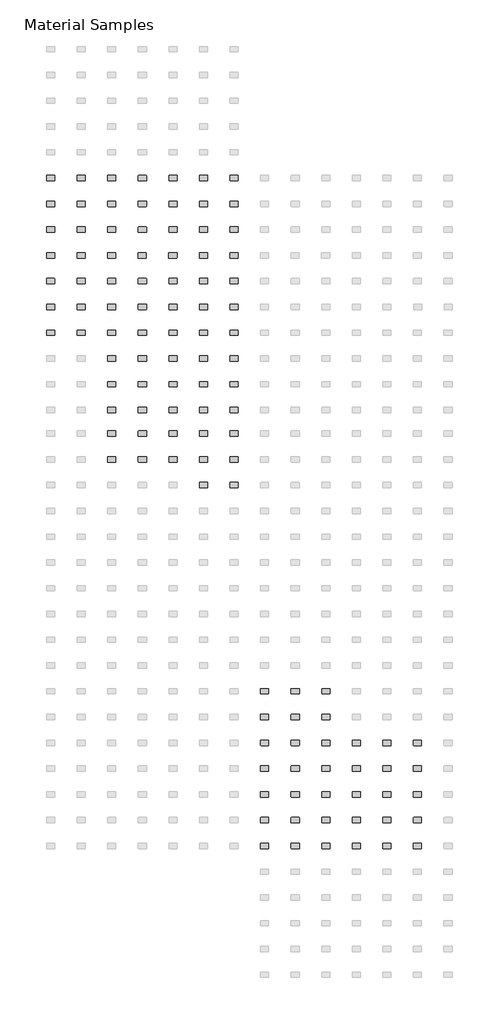
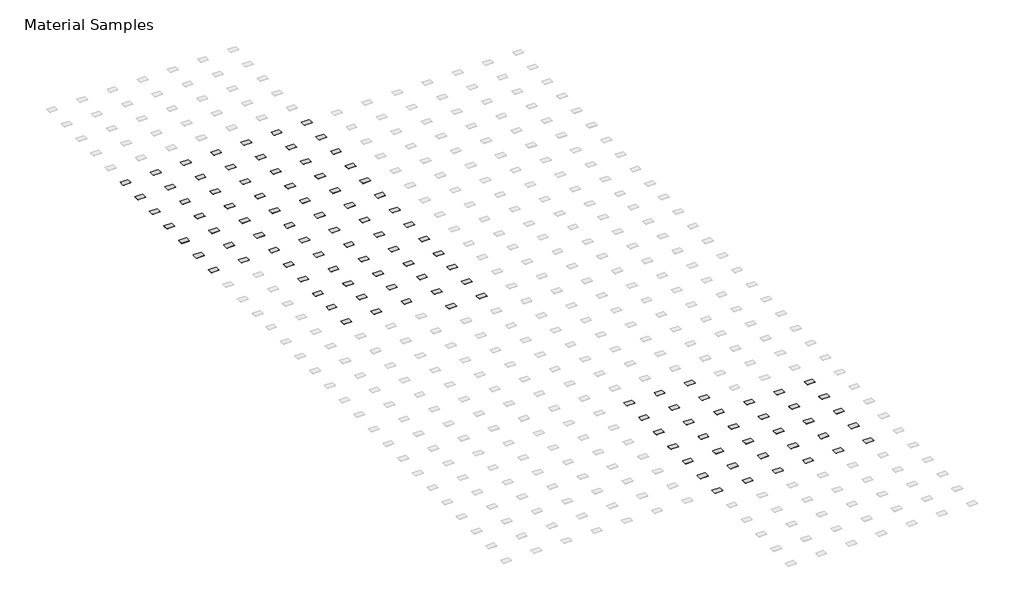
# One storey, part 8 of 15: 112 furniture elements.
"""IFC4 building model written with IfcOpenShell, lengths in millimetres."""

import ifcopenshell
import ifcopenshell.guid

model = None  # the IFC model being written
_history = None  # IfcOwnerHistory: only IFC2X3 demands one
_inside = {}  # id of a spatial element -> (the spatial element, [elements in it])
_under = {}  # id of a project, library or spatial element -> (it, [spatial elements below it])
_declared = {}  # id of a project -> (the project, [libraries it declares])
_typed = {}  # id of a type object -> (the type object, [elements of that type])
_made_of = {}  # id of a material, layer set ... -> (it, [elements and type objects made of it])


def new_model(schema):
    """Start an empty IFC model of exactly this schema.

    Asked for "IFC4X3", IfcOpenShell would pick the latest addendum, in which some entities
    have other attributes; the version numbers below select the first issue.
    IFC2X3 requires an IfcOwnerHistory on every rooted entity: one is made here for all.
    """
    global model, _history
    if schema == "IFC4X3":
        model = ifcopenshell.file(schema_version=(4, 3, 0, 0))
    else:
        model = ifcopenshell.file(schema=schema)
    _inside.clear()
    _under.clear()
    _declared.clear()
    _typed.clear()
    _made_of.clear()
    _history = None
    if model.schema == "IFC2X3":
        org = make("IfcOrganization", Name="unknown")
        user = make(
            "IfcPersonAndOrganization",
            ThePerson=make("IfcPerson", FamilyName="unknown"),
            TheOrganization=org,
        )
        app = make(
            "IfcApplication",
            ApplicationDeveloper=org,
            Version="unknown",
            ApplicationFullName="unknown",
            ApplicationIdentifier="unknown",
        )
        _history = make(
            "IfcOwnerHistory",
            OwningUser=user,
            OwningApplication=app,
            ChangeAction="ADDED",
            CreationDate=0,
        )
    return model


def make(cls, **values):
    """One entity of the class cls with the attributes given. An attribute that is None is left unset."""
    return model.create_entity(
        cls, **{name: value for name, value in values.items() if value is not None}
    )


def rooted(cls, **values):
    """An entity with a GlobalId (a new one), such as an element, a storey or a relation."""
    return make(cls, GlobalId=ifcopenshell.guid.new(), OwnerHistory=_history, **values)


def si_unit(unit_type, name, prefix=None):
    """IfcSIUnit, for example si_unit("LENGTHUNIT", "METRE", prefix="MILLI")."""
    return make("IfcSIUnit", UnitType=unit_type, Prefix=prefix, Name=name)


def assignment(units):
    """IfcUnitAssignment: the units of a project."""
    return None if units is None else make("IfcUnitAssignment", Units=units)


def point(xyz):
    """IfcCartesianPoint."""
    return None if xyz is None else make("IfcCartesianPoint", Coordinates=xyz)


def direction(xyz):
    """IfcDirection."""
    return None if xyz is None else make("IfcDirection", DirectionRatios=xyz)


def frame(location, z_axis=None, x_axis=None):
    """IfcAxis2Placement3D, a coordinate frame: its origin and axes. An axis left out is left unset."""
    return make(
        "IfcAxis2Placement3D",
        Location=point(location),
        Axis=direction(z_axis),
        RefDirection=direction(x_axis),
    )


def frame_2d(location, x_axis=None):
    """IfcAxis2Placement2D, a coordinate frame in the plane: its origin and x axis."""
    return make(
        "IfcAxis2Placement2D", Location=point(location), RefDirection=direction(x_axis)
    )


def origin():
    """The frame at (0, 0, 0) with its axes left unset."""
    return frame((0.0, 0.0, 0.0))


def place(relative_to, where):
    """IfcLocalPlacement: puts the frame where relative to a parent placement (None: the world)."""
    return make(
        "IfcLocalPlacement", PlacementRelTo=relative_to, RelativePlacement=where
    )


def context(
    kind, dimensions, precision=None, world=None, true_north=None, identifier=None
):
    """IfcGeometricRepresentationContext, for example the 3D "Model" context."""
    return make(
        "IfcGeometricRepresentationContext",
        ContextIdentifier=identifier,
        ContextType=kind,
        CoordinateSpaceDimension=dimensions,
        Precision=precision,
        WorldCoordinateSystem=world,
        TrueNorth=true_north,
    )


def project(units=None, contexts=None):
    """IfcProject with its units and contexts."""
    return rooted(
        "IfcProject",
        Name="project",
        RepresentationContexts=contexts,
        UnitsInContext=assignment(units),
    )


def spatial(cls, under=None, at=None, **own):
    """A site, building, storey or space (cls), placed at a placement, below another one or the project."""
    s = rooted(cls, ObjectPlacement=at, **own)
    if under is not None:
        _under.setdefault(under.id(), (under, []))[1].append(s)
    return s


def polyline(points):
    """IfcPolyline through the points."""
    return make("IfcPolyline", Points=[point(p) for p in points])


def circle_curve(where, radius):
    """IfcCircle in the frame where."""
    return make("IfcCircle", Position=where, Radius=radius)


def trimmed(basis, trim1, trim2, sense, master):
    """IfcTrimmedCurve: the piece of a basis curve between two trims."""
    return make(
        "IfcTrimmedCurve",
        BasisCurve=basis,
        Trim1=trim1,
        Trim2=trim2,
        SenseAgreement=sense,
        MasterRepresentation=master,
    )


def segment(curve, same_sense, transition):
    """IfcCompositeCurveSegment."""
    return make(
        "IfcCompositeCurveSegment",
        Transition=transition,
        SameSense=same_sense,
        ParentCurve=curve,
    )


def composite_curve(segments, self_intersect=None):
    """IfcCompositeCurve: segments joined end to end."""
    return make("IfcCompositeCurve", Segments=segments, SelfIntersect=self_intersect)


def outline(outer, holes=None, kind="AREA"):
    """IfcArbitraryClosedProfileDef: a profile drawn as a closed curve; with holes, ...WithVoids."""
    if holes is None:
        return make("IfcArbitraryClosedProfileDef", ProfileType=kind, OuterCurve=outer)
    return make(
        "IfcArbitraryProfileDefWithVoids",
        ProfileType=kind,
        OuterCurve=outer,
        InnerCurves=holes,
    )


def extrude(swept, where, along, depth):
    """IfcExtrudedAreaSolid: the profile swept, set in the frame where, extruded along a direction by depth."""
    return make(
        "IfcExtrudedAreaSolid",
        SweptArea=swept,
        Position=where,
        ExtrudedDirection=direction(along),
        Depth=depth,
    )


def shape(context_of_items, identifier, shape_type, items):
    """IfcShapeRepresentation: the items that make up one representation, for example the "Body"."""
    return make(
        "IfcShapeRepresentation",
        ContextOfItems=context_of_items,
        RepresentationIdentifier=identifier,
        RepresentationType=shape_type,
        Items=items,
    )


def source(mapping_origin, context_of_items, identifier, shape_type, items):
    """IfcRepresentationMap: a shape defined once, which mapped items show again and again."""
    return make(
        "IfcRepresentationMap",
        MappingOrigin=mapping_origin,
        MappedRepresentation=shape(context_of_items, identifier, shape_type, items),
    )


def transform(
    local_origin,
    x_axis=None,
    y_axis=None,
    z_axis=None,
    scale=None,
    scale2=None,
    scale3=None,
    uniform=True,
):
    """IfcCartesianTransformationOperator3D, or its non-uniform kind. x_axis, y_axis, z_axis: its Axis1, 2, 3."""
    if uniform:
        return make(
            "IfcCartesianTransformationOperator3D",
            Axis1=direction(x_axis),
            Axis2=direction(y_axis),
            LocalOrigin=point(local_origin),
            Scale=scale,
            Axis3=direction(z_axis),
        )
    return make(
        "IfcCartesianTransformationOperator3DnonUniform",
        Axis1=direction(x_axis),
        Axis2=direction(y_axis),
        LocalOrigin=point(local_origin),
        Scale=scale,
        Axis3=direction(z_axis),
        Scale2=scale2,
        Scale3=scale3,
    )


def mapped(mapping_source, mapping_target):
    """IfcMappedItem: shows the shape of a source again, moved by a transform."""
    return make(
        "IfcMappedItem", MappingSource=mapping_source, MappingTarget=mapping_target
    )


def made_of(thing, what):
    """Note that an element or type object is made of a material, layer set ...; save() writes the relation."""
    if what is not None:
        _made_of.setdefault(what.id(), (what, []))[1].append(thing)
    return thing


def element(
    cls,
    number,
    at=None,
    inside=None,
    cuts=None,
    type_object=None,
    material=None,
    context=None,
    identifier="Body",
    shape_type=None,
    held_by="IfcProductDefinitionShape",
    body=None,
    shapes=None,
    **own,
):
    """One element of the class cls, such as IfcWall. Its Tag is "e" and its number.

    at: its placement. inside: the storey or other place that contains it. cuts: it is an
    opening in that element (IfcRelVoidsElement). A single representation is given by context,
    identifier, shape_type and body (its items); several are given by shapes. held_by: the class
    of the entity that holds the representations. save() writes the other relations.
    """
    e = rooted(cls, Tag="e%d" % number, ObjectPlacement=at, **own)
    if body is not None:
        shapes = [shape(context, identifier, shape_type, body)]
    if shapes is not None:
        e.Representation = make(held_by, Representations=shapes)
    if inside is not None:
        _inside.setdefault(inside.id(), (inside, []))[1].append(e)
    if cuts is not None:
        rooted(
            "IfcRelVoidsElement", RelatingBuildingElement=cuts, RelatedOpeningElement=e
        )
    if type_object is not None:
        _typed.setdefault(type_object.id(), (type_object, []))[1].append(e)
    return made_of(e, material)


def aggregate(whole, parts):
    """IfcRelAggregates: a whole, such as a stair, and the parts it consists of."""
    return rooted("IfcRelAggregates", RelatingObject=whole, RelatedObjects=parts)


def save(model, path):
    """Write the relations noted so far, then the file.

    IfcRelAggregates (storeys below a building ...), IfcRelContainedInSpatialStructure (elements
    in a storey), IfcRelDefinesByType, IfcRelAssociatesMaterial and IfcRelDeclares: one each for
    every whole, place, type object, material and project.
    """
    for whole, parts in _under.values():
        aggregate(whole, parts)
    for where, things in _inside.values():
        rooted(
            "IfcRelContainedInSpatialStructure",
            RelatedElements=things,
            RelatingStructure=where,
        )
    for kind, things in _typed.values():
        rooted("IfcRelDefinesByType", RelatedObjects=things, RelatingType=kind)
    for what, things in _made_of.values():
        rooted("IfcRelAssociatesMaterial", RelatedObjects=things, RelatingMaterial=what)
    for by, libraries in _declared.values():
        rooted("IfcRelDeclares", RelatingContext=by, RelatedDefinitions=libraries)
    model.write(path)


def furniture_2008_material_sample3_2x3x1_8_96bf408c(model_context):
    return source(origin(), model_context, "Body", "SweptSolid", [
        extrude(outline(composite_curve([segment(trimmed(circle_curve(frame_2d((21215.2392185, 10811.8982463)), 6.35), [point((21215.2392185, 10818.2482463))], [point((21221.5892185, 10811.8982463))], False, "CARTESIAN"), True, "CONTINUOUS"), segment(polyline([(21221.5892185, 10811.8982463), (21221.5892185, 10570.5982463)]), True, "CONTINUOUS"), segment(trimmed(circle_curve(frame_2d((21215.2392185, 10570.5982463)), 6.35), [point((21221.5892185, 10570.5982463))], [point((21215.2392185, 10564.2482463))], False, "CARTESIAN"), True, "CONTINUOUS"), segment(polyline([(21215.2392185, 10564.2482463), (20846.9392185, 10564.2482463)]), True, "CONTINUOUS"), segment(trimmed(circle_curve(frame_2d((20846.9392185, 10570.5982463)), 6.35), [point((20846.9392185, 10564.2482463))], [point((20840.5892185, 10570.5982463))], False, "CARTESIAN"), True, "CONTINUOUS"), segment(polyline([(20840.5892185, 10570.5982463), (20840.5892185, 10811.8982463)]), True, "CONTINUOUS"), segment(trimmed(circle_curve(frame_2d((20846.9392185, 10811.8982463)), 6.35), [point((20840.5892185, 10811.8982463))], [point((20846.9392185, 10818.2482463))], False, "CARTESIAN"), True, "CONTINUOUS"), segment(polyline([(20846.9392185, 10818.2482463), (21215.2392185, 10818.2482463)]), True, "CONTINUOUS")], self_intersect=False)), frame((0.0, 0.0, -3.175), z_axis=(0.0, 0.0, 1.0), x_axis=(1.0, 0.0, 0.0)), (0.0, 0.0, 1.0), 3.175),
    ])


model = new_model("IFC4")

# Units and contexts
model_context = context("Model", 3, world=origin())
ifc_project = project(units=[si_unit("LENGTHUNIT", "METRE", prefix="MILLI")], contexts=[model_context])

# Site, building, storey
site = spatial("IfcSite", under=ifc_project)
building = spatial("IfcBuilding", under=site)
storey = spatial("IfcBuildingStorey", under=building, Name="Material Samples", Elevation=0.0)

# Furniture
placement = place(None, origin())
furniture_2008_material_sample3_2x3x1_8_shape = furniture_2008_material_sample3_2x3x1_8_96bf408c(model_context)
element("IfcFurniture", 1, ObjectType="2008_Material Sample3 : 2x3x1/8", at=placement, inside=storey, context=model_context, shape_type="MappedRepresentation", body=[
    mapped(furniture_2008_material_sample3_2x3x1_8_shape, transform((-41929.9915046, -64325.2209267, 25.4), x_axis=(1.0, 0.0, 0.0), y_axis=(0.0, 1.0, 0.0), z_axis=(0.0, 0.0, 1.0))),
])
element("IfcFurniture", 2, ObjectType="2008_Material Sample3 : 2x3x1/8", at=placement, inside=storey, context=model_context, shape_type="MappedRepresentation", body=[
    mapped(furniture_2008_material_sample3_2x3x1_8_shape, transform((-40482.1915046, -64325.2209267, 25.4), x_axis=(1.0, 0.0, 0.0), y_axis=(0.0, 1.0, 0.0), z_axis=(0.0, 0.0, 1.0))),
])
element("IfcFurniture", 3, ObjectType="2008_Material Sample3 : 2x3x1/8", at=placement, inside=storey, context=model_context, shape_type="MappedRepresentation", body=[
    mapped(furniture_2008_material_sample3_2x3x1_8_shape, transform((-39034.3915046, -64325.2209267, 25.4), x_axis=(1.0, 0.0, 0.0), y_axis=(0.0, 1.0, 0.0), z_axis=(0.0, 0.0, 1.0))),
])
element("IfcFurniture", 4, ObjectType="2008_Material Sample3 : 2x3x1/8", at=placement, inside=storey, context=model_context, shape_type="MappedRepresentation", body=[
    mapped(furniture_2008_material_sample3_2x3x1_8_shape, transform((-37586.5915046, -64325.2209267, 25.4), x_axis=(1.0, 0.0, 0.0), y_axis=(0.0, 1.0, 0.0), z_axis=(0.0, 0.0, 1.0))),
])
element("IfcFurniture", 5, ObjectType="2008_Material Sample3 : 2x3x1/8", at=placement, inside=storey, context=model_context, shape_type="MappedRepresentation", body=[
    mapped(furniture_2008_material_sample3_2x3x1_8_shape, transform((-36138.7915046, -64325.2209267, 25.4), x_axis=(1.0, 0.0, 0.0), y_axis=(0.0, 1.0, 0.0), z_axis=(0.0, 0.0, 1.0))),
])
element("IfcFurniture", 6, ObjectType="2008_Material Sample3 : 2x3x1/8", at=placement, inside=storey, context=model_context, shape_type="MappedRepresentation", body=[
    mapped(furniture_2008_material_sample3_2x3x1_8_shape, transform((-34690.9915046, -64325.2209267, 25.4), x_axis=(1.0, 0.0, 0.0), y_axis=(0.0, 1.0, 0.0), z_axis=(0.0, 0.0, 1.0))),
])
element("IfcFurniture", 7, ObjectType="2008_Material Sample3 : 2x3x1/8", at=placement, inside=storey, context=model_context, shape_type="MappedRepresentation", body=[
    mapped(furniture_2008_material_sample3_2x3x1_8_shape, transform((-33243.1915046, -64325.2209267, 25.4), x_axis=(1.0, 0.0, 0.0), y_axis=(0.0, 1.0, 0.0), z_axis=(0.0, 0.0, 1.0))),
])
element("IfcFurniture", 8, ObjectType="2008_Material Sample3 : 2x3x1/8", at=placement, inside=storey, context=model_context, shape_type="MappedRepresentation", body=[
    mapped(furniture_2008_material_sample3_2x3x1_8_shape, transform((-41929.9915046, -65544.4209267, 25.4), x_axis=(1.0, 0.0, 0.0), y_axis=(0.0, 1.0, 0.0), z_axis=(0.0, 0.0, 1.0))),
])
element("IfcFurniture", 9, ObjectType="2008_Material Sample3 : 2x3x1/8", at=placement, inside=storey, context=model_context, shape_type="MappedRepresentation", body=[
    mapped(furniture_2008_material_sample3_2x3x1_8_shape, transform((-40482.1915046, -65544.4209267, 25.4), x_axis=(1.0, 0.0, 0.0), y_axis=(0.0, 1.0, 0.0), z_axis=(0.0, 0.0, 1.0))),
])
element("IfcFurniture", 10, ObjectType="2008_Material Sample3 : 2x3x1/8", at=placement, inside=storey, context=model_context, shape_type="MappedRepresentation", body=[
    mapped(furniture_2008_material_sample3_2x3x1_8_shape, transform((-39034.3915046, -65544.4209267, 25.4), x_axis=(1.0, 0.0, 0.0), y_axis=(0.0, 1.0, 0.0), z_axis=(0.0, 0.0, 1.0))),
])
element("IfcFurniture", 11, ObjectType="2008_Material Sample3 : 2x3x1/8", at=placement, inside=storey, context=model_context, shape_type="MappedRepresentation", body=[
    mapped(furniture_2008_material_sample3_2x3x1_8_shape, transform((-37586.5915046, -65544.4209267, 25.4), x_axis=(1.0, 0.0, 0.0), y_axis=(0.0, 1.0, 0.0), z_axis=(0.0, 0.0, 1.0))),
])
element("IfcFurniture", 12, ObjectType="2008_Material Sample3 : 2x3x1/8", at=placement, inside=storey, context=model_context, shape_type="MappedRepresentation", body=[
    mapped(furniture_2008_material_sample3_2x3x1_8_shape, transform((-36138.7915046, -65544.4209267, 25.4), x_axis=(1.0, 0.0, 0.0), y_axis=(0.0, 1.0, 0.0), z_axis=(0.0, 0.0, 1.0))),
])
element("IfcFurniture", 13, ObjectType="2008_Material Sample3 : 2x3x1/8", at=placement, inside=storey, context=model_context, shape_type="MappedRepresentation", body=[
    mapped(furniture_2008_material_sample3_2x3x1_8_shape, transform((-34690.9915046, -65544.4209267, 25.4), x_axis=(1.0, 0.0, 0.0), y_axis=(0.0, 1.0, 0.0), z_axis=(0.0, 0.0, 1.0))),
])
element("IfcFurniture", 14, ObjectType="2008_Material Sample3 : 2x3x1/8", at=placement, inside=storey, context=model_context, shape_type="MappedRepresentation", body=[
    mapped(furniture_2008_material_sample3_2x3x1_8_shape, transform((-33243.1915046, -65544.4209267, 25.4), x_axis=(1.0, 0.0, 0.0), y_axis=(0.0, 1.0, 0.0), z_axis=(0.0, 0.0, 1.0))),
])
element("IfcFurniture", 15, ObjectType="2008_Material Sample3 : 2x3x1/8", at=placement, inside=storey, context=model_context, shape_type="MappedRepresentation", body=[
    mapped(furniture_2008_material_sample3_2x3x1_8_shape, transform((-41929.9915046, -66763.6209267, 25.4), x_axis=(1.0, 0.0, 0.0), y_axis=(0.0, 1.0, 0.0), z_axis=(0.0, 0.0, 1.0))),
])
element("IfcFurniture", 16, ObjectType="2008_Material Sample3 : 2x3x1/8", at=placement, inside=storey, context=model_context, shape_type="MappedRepresentation", body=[
    mapped(furniture_2008_material_sample3_2x3x1_8_shape, transform((-40482.1915046, -66763.6209267, 25.4), x_axis=(1.0, 0.0, 0.0), y_axis=(0.0, 1.0, 0.0), z_axis=(0.0, 0.0, 1.0))),
])
element("IfcFurniture", 17, ObjectType="2008_Material Sample3 : 2x3x1/8", at=placement, inside=storey, context=model_context, shape_type="MappedRepresentation", body=[
    mapped(furniture_2008_material_sample3_2x3x1_8_shape, transform((-39034.3915046, -66763.6209267, 25.4), x_axis=(1.0, 0.0, 0.0), y_axis=(0.0, 1.0, 0.0), z_axis=(0.0, 0.0, 1.0))),
])
element("IfcFurniture", 18, ObjectType="2008_Material Sample3 : 2x3x1/8", at=placement, inside=storey, context=model_context, shape_type="MappedRepresentation", body=[
    mapped(furniture_2008_material_sample3_2x3x1_8_shape, transform((-37586.5915046, -66763.6209267, 25.4), x_axis=(1.0, 0.0, 0.0), y_axis=(0.0, 1.0, 0.0), z_axis=(0.0, 0.0, 1.0))),
])
element("IfcFurniture", 19, ObjectType="2008_Material Sample3 : 2x3x1/8", at=placement, inside=storey, context=model_context, shape_type="MappedRepresentation", body=[
    mapped(furniture_2008_material_sample3_2x3x1_8_shape, transform((-36138.7915046, -66763.6209267, 25.4), x_axis=(1.0, 0.0, 0.0), y_axis=(0.0, 1.0, 0.0), z_axis=(0.0, 0.0, 1.0))),
])
element("IfcFurniture", 20, ObjectType="2008_Material Sample3 : 2x3x1/8", at=placement, inside=storey, context=model_context, shape_type="MappedRepresentation", body=[
    mapped(furniture_2008_material_sample3_2x3x1_8_shape, transform((-34690.9915046, -66763.6209267, 25.4), x_axis=(1.0, 0.0, 0.0), y_axis=(0.0, 1.0, 0.0), z_axis=(0.0, 0.0, 1.0))),
])
element("IfcFurniture", 21, ObjectType="2008_Material Sample3 : 2x3x1/8", at=placement, inside=storey, context=model_context, shape_type="MappedRepresentation", body=[
    mapped(furniture_2008_material_sample3_2x3x1_8_shape, transform((-33243.1915046, -66763.6209267, 25.4), x_axis=(1.0, 0.0, 0.0), y_axis=(0.0, 1.0, 0.0), z_axis=(0.0, 0.0, 1.0))),
])
element("IfcFurniture", 22, ObjectType="2008_Material Sample3 : 2x3x1/8", at=placement, inside=storey, context=model_context, shape_type="MappedRepresentation", body=[
    mapped(furniture_2008_material_sample3_2x3x1_8_shape, transform((-41936.3415046, -67982.8209267, 25.4), x_axis=(1.0, 0.0, 0.0), y_axis=(0.0, 1.0, 0.0), z_axis=(0.0, 0.0, 1.0))),
])
element("IfcFurniture", 23, ObjectType="2008_Material Sample3 : 2x3x1/8", at=placement, inside=storey, context=model_context, shape_type="MappedRepresentation", body=[
    mapped(furniture_2008_material_sample3_2x3x1_8_shape, transform((-40488.5415046, -67982.8209267, 25.4), x_axis=(1.0, 0.0, 0.0), y_axis=(0.0, 1.0, 0.0), z_axis=(0.0, 0.0, 1.0))),
])
element("IfcFurniture", 24, ObjectType="2008_Material Sample3 : 2x3x1/8", at=placement, inside=storey, context=model_context, shape_type="MappedRepresentation", body=[
    mapped(furniture_2008_material_sample3_2x3x1_8_shape, transform((-39040.7415046, -67982.8209267, 25.4), x_axis=(1.0, 0.0, 0.0), y_axis=(0.0, 1.0, 0.0), z_axis=(0.0, 0.0, 1.0))),
])
element("IfcFurniture", 25, ObjectType="2008_Material Sample3 : 2x3x1/8", at=placement, inside=storey, context=model_context, shape_type="MappedRepresentation", body=[
    mapped(furniture_2008_material_sample3_2x3x1_8_shape, transform((-37592.9415046, -67982.8209267, 25.4), x_axis=(1.0, 0.0, 0.0), y_axis=(0.0, 1.0, 0.0), z_axis=(0.0, 0.0, 1.0))),
])
element("IfcFurniture", 26, ObjectType="2008_Material Sample3 : 2x3x1/8", at=placement, inside=storey, context=model_context, shape_type="MappedRepresentation", body=[
    mapped(furniture_2008_material_sample3_2x3x1_8_shape, transform((-36145.1415046, -67982.8209267, 25.4), x_axis=(1.0, 0.0, 0.0), y_axis=(0.0, 1.0, 0.0), z_axis=(0.0, 0.0, 1.0))),
])
element("IfcFurniture", 27, ObjectType="2008_Material Sample3 : 2x3x1/8", at=placement, inside=storey, context=model_context, shape_type="MappedRepresentation", body=[
    mapped(furniture_2008_material_sample3_2x3x1_8_shape, transform((-34697.3415046, -67982.8209267, 25.4), x_axis=(1.0, 0.0, 0.0), y_axis=(0.0, 1.0, 0.0), z_axis=(0.0, 0.0, 1.0))),
])
element("IfcFurniture", 28, ObjectType="2008_Material Sample3 : 2x3x1/8", at=placement, inside=storey, context=model_context, shape_type="MappedRepresentation", body=[
    mapped(furniture_2008_material_sample3_2x3x1_8_shape, transform((-33249.5415046, -67982.8209267, 25.4), x_axis=(1.0, 0.0, 0.0), y_axis=(0.0, 1.0, 0.0), z_axis=(0.0, 0.0, 1.0))),
])
element("IfcFurniture", 29, ObjectType="2008_Material Sample3 : 2x3x1/8", at=placement, inside=storey, context=model_context, shape_type="MappedRepresentation", body=[
    mapped(furniture_2008_material_sample3_2x3x1_8_shape, transform((-41936.452286, -69202.0209267, 25.4), x_axis=(1.0, 0.0, 0.0), y_axis=(0.0, 1.0, 0.0), z_axis=(0.0, 0.0, 1.0))),
])
element("IfcFurniture", 30, ObjectType="2008_Material Sample3 : 2x3x1/8", at=placement, inside=storey, context=model_context, shape_type="MappedRepresentation", body=[
    mapped(furniture_2008_material_sample3_2x3x1_8_shape, transform((-40482.1915046, -69202.0209267, 25.4), x_axis=(1.0, 0.0, 0.0), y_axis=(0.0, 1.0, 0.0), z_axis=(0.0, 0.0, 1.0))),
])
element("IfcFurniture", 31, ObjectType="2008_Material Sample3 : 2x3x1/8", at=placement, inside=storey, context=model_context, shape_type="MappedRepresentation", body=[
    mapped(furniture_2008_material_sample3_2x3x1_8_shape, transform((-39034.3915046, -69202.0209267, 25.4), x_axis=(1.0, 0.0, 0.0), y_axis=(0.0, 1.0, 0.0), z_axis=(0.0, 0.0, 1.0))),
])
element("IfcFurniture", 32, ObjectType="2008_Material Sample3 : 2x3x1/8", at=placement, inside=storey, context=model_context, shape_type="MappedRepresentation", body=[
    mapped(furniture_2008_material_sample3_2x3x1_8_shape, transform((-37586.5915046, -69202.0209267, 25.4), x_axis=(1.0, 0.0, 0.0), y_axis=(0.0, 1.0, 0.0), z_axis=(0.0, 0.0, 1.0))),
])
element("IfcFurniture", 33, ObjectType="2008_Material Sample3 : 2x3x1/8", at=placement, inside=storey, context=model_context, shape_type="MappedRepresentation", body=[
    mapped(furniture_2008_material_sample3_2x3x1_8_shape, transform((-36138.7915046, -69202.0209267, 25.4), x_axis=(1.0, 0.0, 0.0), y_axis=(0.0, 1.0, 0.0), z_axis=(0.0, 0.0, 1.0))),
])
element("IfcFurniture", 34, ObjectType="2008_Material Sample3 : 2x3x1/8", at=placement, inside=storey, context=model_context, shape_type="MappedRepresentation", body=[
    mapped(furniture_2008_material_sample3_2x3x1_8_shape, transform((-34690.9915046, -69202.0209267, 25.4), x_axis=(1.0, 0.0, 0.0), y_axis=(0.0, 1.0, 0.0), z_axis=(0.0, 0.0, 1.0))),
])
element("IfcFurniture", 35, ObjectType="2008_Material Sample3 : 2x3x1/8", at=placement, inside=storey, context=model_context, shape_type="MappedRepresentation", body=[
    mapped(furniture_2008_material_sample3_2x3x1_8_shape, transform((-33243.1915046, -69202.0209267, 25.4), x_axis=(1.0, 0.0, 0.0), y_axis=(0.0, 1.0, 0.0), z_axis=(0.0, 0.0, 1.0))),
])
element("IfcFurniture", 36, ObjectType="2008_Material Sample3 : 2x3x1/8", at=placement, inside=storey, context=model_context, shape_type="MappedRepresentation", body=[
    mapped(furniture_2008_material_sample3_2x3x1_8_shape, transform((-41929.9915046, -70421.2209267, 25.4), x_axis=(1.0, 0.0, 0.0), y_axis=(0.0, 1.0, 0.0), z_axis=(0.0, 0.0, 1.0))),
])
element("IfcFurniture", 37, ObjectType="2008_Material Sample3 : 2x3x1/8", at=placement, inside=storey, context=model_context, shape_type="MappedRepresentation", body=[
    mapped(furniture_2008_material_sample3_2x3x1_8_shape, transform((-40482.1915046, -70421.2209267, 25.4), x_axis=(1.0, 0.0, 0.0), y_axis=(0.0, 1.0, 0.0), z_axis=(0.0, 0.0, 1.0))),
])
element("IfcFurniture", 38, ObjectType="2008_Material Sample3 : 2x3x1/8", at=placement, inside=storey, context=model_context, shape_type="MappedRepresentation", body=[
    mapped(furniture_2008_material_sample3_2x3x1_8_shape, transform((-39034.3915046, -70421.2209267, 25.4), x_axis=(1.0, 0.0, 0.0), y_axis=(0.0, 1.0, 0.0), z_axis=(0.0, 0.0, 1.0))),
])
element("IfcFurniture", 39, ObjectType="2008_Material Sample3 : 2x3x1/8", at=placement, inside=storey, context=model_context, shape_type="MappedRepresentation", body=[
    mapped(furniture_2008_material_sample3_2x3x1_8_shape, transform((-37586.5915046, -70421.2209267, 25.4), x_axis=(1.0, 0.0, 0.0), y_axis=(0.0, 1.0, 0.0), z_axis=(0.0, 0.0, 1.0))),
])
element("IfcFurniture", 40, ObjectType="2008_Material Sample3 : 2x3x1/8", at=placement, inside=storey, context=model_context, shape_type="MappedRepresentation", body=[
    mapped(furniture_2008_material_sample3_2x3x1_8_shape, transform((-36138.7915046, -70421.2209267, 25.4), x_axis=(1.0, 0.0, 0.0), y_axis=(0.0, 1.0, 0.0), z_axis=(0.0, 0.0, 1.0))),
])
element("IfcFurniture", 41, ObjectType="2008_Material Sample3 : 2x3x1/8", at=placement, inside=storey, context=model_context, shape_type="MappedRepresentation", body=[
    mapped(furniture_2008_material_sample3_2x3x1_8_shape, transform((-34690.9915046, -70421.2209267, 25.4), x_axis=(1.0, 0.0, 0.0), y_axis=(0.0, 1.0, 0.0), z_axis=(0.0, 0.0, 1.0))),
])
element("IfcFurniture", 42, ObjectType="2008_Material Sample3 : 2x3x1/8", at=placement, inside=storey, context=model_context, shape_type="MappedRepresentation", body=[
    mapped(furniture_2008_material_sample3_2x3x1_8_shape, transform((-33243.1915046, -70421.2209267, 25.4), x_axis=(1.0, 0.0, 0.0), y_axis=(0.0, 1.0, 0.0), z_axis=(0.0, 0.0, 1.0))),
])
element("IfcFurniture", 43, ObjectType="2008_Material Sample3 : 2x3x1/8", at=placement, inside=storey, context=model_context, shape_type="MappedRepresentation", body=[
    mapped(furniture_2008_material_sample3_2x3x1_8_shape, transform((-40482.1915046, -71640.4209267, 25.4), x_axis=(1.0, 0.0, 0.0), y_axis=(0.0, 1.0, 0.0), z_axis=(0.0, 0.0, 1.0))),
])
element("IfcFurniture", 44, ObjectType="2008_Material Sample3 : 2x3x1/8", at=placement, inside=storey, context=model_context, shape_type="MappedRepresentation", body=[
    mapped(furniture_2008_material_sample3_2x3x1_8_shape, transform((-39034.3915046, -71640.4209267, 25.4), x_axis=(1.0, 0.0, 0.0), y_axis=(0.0, 1.0, 0.0), z_axis=(0.0, 0.0, 1.0))),
])
element("IfcFurniture", 45, ObjectType="2008_Material Sample3 : 2x3x1/8", at=placement, inside=storey, context=model_context, shape_type="MappedRepresentation", body=[
    mapped(furniture_2008_material_sample3_2x3x1_8_shape, transform((-37586.5915046, -71640.4209267, 25.4), x_axis=(1.0, 0.0, 0.0), y_axis=(0.0, 1.0, 0.0), z_axis=(0.0, 0.0, 1.0))),
])
element("IfcFurniture", 46, ObjectType="2008_Material Sample3 : 2x3x1/8", at=placement, inside=storey, context=model_context, shape_type="MappedRepresentation", body=[
    mapped(furniture_2008_material_sample3_2x3x1_8_shape, transform((-36138.7915046, -71640.4209267, 25.4), x_axis=(1.0, 0.0, 0.0), y_axis=(0.0, 1.0, 0.0), z_axis=(0.0, 0.0, 1.0))),
])
element("IfcFurniture", 47, ObjectType="2008_Material Sample3 : 2x3x1/8", at=placement, inside=storey, context=model_context, shape_type="MappedRepresentation", body=[
    mapped(furniture_2008_material_sample3_2x3x1_8_shape, transform((-34690.9915046, -71640.4209267, 25.4), x_axis=(1.0, 0.0, 0.0), y_axis=(0.0, 1.0, 0.0), z_axis=(0.0, 0.0, 1.0))),
])
element("IfcFurniture", 48, ObjectType="2008_Material Sample3 : 2x3x1/8", at=placement, inside=storey, context=model_context, shape_type="MappedRepresentation", body=[
    mapped(furniture_2008_material_sample3_2x3x1_8_shape, transform((-33243.1915046, -71640.4209267, 25.4), x_axis=(1.0, 0.0, 0.0), y_axis=(0.0, 1.0, 0.0), z_axis=(0.0, 0.0, 1.0))),
])
element("IfcFurniture", 49, ObjectType="2008_Material Sample3 : 2x3x1/8", at=placement, inside=storey, context=model_context, shape_type="MappedRepresentation", body=[
    mapped(furniture_2008_material_sample3_2x3x1_8_shape, transform((-39034.3915046, -72859.6209267, 25.4), x_axis=(1.0, 0.0, 0.0), y_axis=(0.0, 1.0, 0.0), z_axis=(0.0, 0.0, 1.0))),
])
element("IfcFurniture", 50, ObjectType="2008_Material Sample3 : 2x3x1/8", at=placement, inside=storey, context=model_context, shape_type="MappedRepresentation", body=[
    mapped(furniture_2008_material_sample3_2x3x1_8_shape, transform((-37586.5915046, -72859.6209267, 25.4), x_axis=(1.0, 0.0, 0.0), y_axis=(0.0, 1.0, 0.0), z_axis=(0.0, 0.0, 1.0))),
])
element("IfcFurniture", 51, ObjectType="2008_Material Sample3 : 2x3x1/8", at=placement, inside=storey, context=model_context, shape_type="MappedRepresentation", body=[
    mapped(furniture_2008_material_sample3_2x3x1_8_shape, transform((-36138.7915046, -72859.6209267, 25.4), x_axis=(1.0, 0.0, 0.0), y_axis=(0.0, 1.0, 0.0), z_axis=(0.0, 0.0, 1.0))),
])
element("IfcFurniture", 52, ObjectType="2008_Material Sample3 : 2x3x1/8", at=placement, inside=storey, context=model_context, shape_type="MappedRepresentation", body=[
    mapped(furniture_2008_material_sample3_2x3x1_8_shape, transform((-34690.9915046, -72859.6209267, 25.4), x_axis=(1.0, 0.0, 0.0), y_axis=(0.0, 1.0, 0.0), z_axis=(0.0, 0.0, 1.0))),
])
element("IfcFurniture", 53, ObjectType="2008_Material Sample3 : 2x3x1/8", at=placement, inside=storey, context=model_context, shape_type="MappedRepresentation", body=[
    mapped(furniture_2008_material_sample3_2x3x1_8_shape, transform((-33243.1915046, -72859.6209267, 25.4), x_axis=(1.0, 0.0, 0.0), y_axis=(0.0, 1.0, 0.0), z_axis=(0.0, 0.0, 1.0))),
])
element("IfcFurniture", 54, ObjectType="2008_Material Sample3 : 2x3x1/8", at=placement, inside=storey, context=model_context, shape_type="MappedRepresentation", body=[
    mapped(furniture_2008_material_sample3_2x3x1_8_shape, transform((-39034.3915046, -74078.8209267, 25.4), x_axis=(1.0, 0.0, 0.0), y_axis=(0.0, 1.0, 0.0), z_axis=(0.0, 0.0, 1.0))),
])
element("IfcFurniture", 55, ObjectType="2008_Material Sample3 : 2x3x1/8", at=placement, inside=storey, context=model_context, shape_type="MappedRepresentation", body=[
    mapped(furniture_2008_material_sample3_2x3x1_8_shape, transform((-37586.5915046, -74078.8209267, 25.4), x_axis=(1.0, 0.0, 0.0), y_axis=(0.0, 1.0, 0.0), z_axis=(0.0, 0.0, 1.0))),
])
element("IfcFurniture", 56, ObjectType="2008_Material Sample3 : 2x3x1/8", at=placement, inside=storey, context=model_context, shape_type="MappedRepresentation", body=[
    mapped(furniture_2008_material_sample3_2x3x1_8_shape, transform((-36138.7915046, -74078.8209267, 25.4), x_axis=(1.0, 0.0, 0.0), y_axis=(0.0, 1.0, 0.0), z_axis=(0.0, 0.0, 1.0))),
])
element("IfcFurniture", 57, ObjectType="2008_Material Sample3 : 2x3x1/8", at=placement, inside=storey, context=model_context, shape_type="MappedRepresentation", body=[
    mapped(furniture_2008_material_sample3_2x3x1_8_shape, transform((-34690.9915046, -74078.8209267, 25.4), x_axis=(1.0, 0.0, 0.0), y_axis=(0.0, 1.0, 0.0), z_axis=(0.0, 0.0, 1.0))),
])
element("IfcFurniture", 58, ObjectType="2008_Material Sample3 : 2x3x1/8", at=placement, inside=storey, context=model_context, shape_type="MappedRepresentation", body=[
    mapped(furniture_2008_material_sample3_2x3x1_8_shape, transform((-33243.1915046, -74078.8209267, 25.4), x_axis=(1.0, 0.0, 0.0), y_axis=(0.0, 1.0, 0.0), z_axis=(0.0, 0.0, 1.0))),
])
element("IfcFurniture", 59, ObjectType="2008_Material Sample3 : 2x3x1/8", at=placement, inside=storey, context=model_context, shape_type="MappedRepresentation", body=[
    mapped(furniture_2008_material_sample3_2x3x1_8_shape, transform((-39034.2807231, -75298.0209267, 25.4), x_axis=(1.0, 0.0, 0.0), y_axis=(0.0, 1.0, 0.0), z_axis=(0.0, 0.0, 1.0))),
])
element("IfcFurniture", 60, ObjectType="2008_Material Sample3 : 2x3x1/8", at=placement, inside=storey, context=model_context, shape_type="MappedRepresentation", body=[
    mapped(furniture_2008_material_sample3_2x3x1_8_shape, transform((-37586.4807231, -75298.0209267, 25.4), x_axis=(1.0, 0.0, 0.0), y_axis=(0.0, 1.0, 0.0), z_axis=(0.0, 0.0, 1.0))),
])
element("IfcFurniture", 61, ObjectType="2008_Material Sample3 : 2x3x1/8", at=placement, inside=storey, context=model_context, shape_type="MappedRepresentation", body=[
    mapped(furniture_2008_material_sample3_2x3x1_8_shape, transform((-36138.6807231, -75298.0209267, 25.4), x_axis=(1.0, 0.0, 0.0), y_axis=(0.0, 1.0, 0.0), z_axis=(0.0, 0.0, 1.0))),
])
element("IfcFurniture", 62, ObjectType="2008_Material Sample3 : 2x3x1/8", at=placement, inside=storey, context=model_context, shape_type="MappedRepresentation", body=[
    mapped(furniture_2008_material_sample3_2x3x1_8_shape, transform((-34690.8807231, -75298.0209267, 25.4), x_axis=(1.0, 0.0, 0.0), y_axis=(0.0, 1.0, 0.0), z_axis=(0.0, 0.0, 1.0))),
])
element("IfcFurniture", 63, ObjectType="2008_Material Sample3 : 2x3x1/8", at=placement, inside=storey, context=model_context, shape_type="MappedRepresentation", body=[
    mapped(furniture_2008_material_sample3_2x3x1_8_shape, transform((-33243.0807231, -75298.0209267, 25.4), x_axis=(1.0, 0.0, 0.0), y_axis=(0.0, 1.0, 0.0), z_axis=(0.0, 0.0, 1.0))),
])
element("IfcFurniture", 64, ObjectType="2008_Material Sample3 : 2x3x1/8", at=placement, inside=storey, context=model_context, shape_type="MappedRepresentation", body=[
    mapped(furniture_2008_material_sample3_2x3x1_8_shape, transform((-41929.9915046, -71640.4209267, 25.4), x_axis=(1.0, 0.0, 0.0), y_axis=(0.0, 1.0, 0.0), z_axis=(0.0, 0.0, 1.0))),
])
element("IfcFurniture", 65, ObjectType="2008_Material Sample4 : 2x3x1/8", at=placement, inside=storey, context=model_context, shape_type="MappedRepresentation", body=[
    mapped(furniture_2008_material_sample3_2x3x1_8_shape, transform((-39034.2807231, -76415.6209267, 25.4), x_axis=(1.0, 0.0, 0.0), y_axis=(0.0, 1.0, 0.0), z_axis=(0.0, 0.0, 1.0))),
])
element("IfcFurniture", 66, ObjectType="2008_Material Sample4 : 2x3x1/8", at=placement, inside=storey, context=model_context, shape_type="MappedRepresentation", body=[
    mapped(furniture_2008_material_sample3_2x3x1_8_shape, transform((-37586.4807231, -76415.6209267, 25.4), x_axis=(1.0, 0.0, 0.0), y_axis=(0.0, 1.0, 0.0), z_axis=(0.0, 0.0, 1.0))),
])
element("IfcFurniture", 67, ObjectType="2008_Material Sample4 : 2x3x1/8", at=placement, inside=storey, context=model_context, shape_type="MappedRepresentation", body=[
    mapped(furniture_2008_material_sample3_2x3x1_8_shape, transform((-36138.6807231, -76415.6209267, 25.4), x_axis=(1.0, 0.0, 0.0), y_axis=(0.0, 1.0, 0.0), z_axis=(0.0, 0.0, 1.0))),
])
element("IfcFurniture", 68, ObjectType="2008_Material Sample4 : 2x3x1/8", at=placement, inside=storey, context=model_context, shape_type="MappedRepresentation", body=[
    mapped(furniture_2008_material_sample3_2x3x1_8_shape, transform((-34690.8807231, -76415.6209267, 25.4), x_axis=(1.0, 0.0, 0.0), y_axis=(0.0, 1.0, 0.0), z_axis=(0.0, 0.0, 1.0))),
])
element("IfcFurniture", 69, ObjectType="2008_Material Sample4 : 2x3x1/8", at=placement, inside=storey, context=model_context, shape_type="MappedRepresentation", body=[
    mapped(furniture_2008_material_sample3_2x3x1_8_shape, transform((-33243.0807231, -76415.6209267, 25.4), x_axis=(1.0, 0.0, 0.0), y_axis=(0.0, 1.0, 0.0), z_axis=(0.0, 0.0, 1.0))),
])
element("IfcFurniture", 70, ObjectType="2008_Material Sample4 : 2x3x1/8", at=placement, inside=storey, context=model_context, shape_type="MappedRepresentation", body=[
    mapped(furniture_2008_material_sample3_2x3x1_8_shape, transform((-39034.2807231, -77634.8209267, 25.4), x_axis=(1.0, 0.0, 0.0), y_axis=(0.0, 1.0, 0.0), z_axis=(0.0, 0.0, 1.0))),
])
element("IfcFurniture", 71, ObjectType="2008_Material Sample4 : 2x3x1/8", at=placement, inside=storey, context=model_context, shape_type="MappedRepresentation", body=[
    mapped(furniture_2008_material_sample3_2x3x1_8_shape, transform((-37586.4807231, -77634.8209267, 25.4), x_axis=(1.0, 0.0, 0.0), y_axis=(0.0, 1.0, 0.0), z_axis=(0.0, 0.0, 1.0))),
])
element("IfcFurniture", 72, ObjectType="2008_Material Sample4 : 2x3x1/8", at=placement, inside=storey, context=model_context, shape_type="MappedRepresentation", body=[
    mapped(furniture_2008_material_sample3_2x3x1_8_shape, transform((-36138.6807231, -77634.8209267, 25.4), x_axis=(1.0, 0.0, 0.0), y_axis=(0.0, 1.0, 0.0), z_axis=(0.0, 0.0, 1.0))),
])
element("IfcFurniture", 73, ObjectType="2008_Material Sample4 : 2x3x1/8", at=placement, inside=storey, context=model_context, shape_type="MappedRepresentation", body=[
    mapped(furniture_2008_material_sample3_2x3x1_8_shape, transform((-34690.8807231, -77634.8209267, 25.4), x_axis=(1.0, 0.0, 0.0), y_axis=(0.0, 1.0, 0.0), z_axis=(0.0, 0.0, 1.0))),
])
element("IfcFurniture", 74, ObjectType="2008_Material Sample4 : 2x3x1/8", at=placement, inside=storey, context=model_context, shape_type="MappedRepresentation", body=[
    mapped(furniture_2008_material_sample3_2x3x1_8_shape, transform((-33243.0807231, -77634.8209267, 25.4), x_axis=(1.0, 0.0, 0.0), y_axis=(0.0, 1.0, 0.0), z_axis=(0.0, 0.0, 1.0))),
])
element("IfcFurniture", 75, ObjectType="2008_Material Sample4 : 2x3x1/8", at=placement, inside=storey, context=model_context, shape_type="MappedRepresentation", body=[
    mapped(furniture_2008_material_sample3_2x3x1_8_shape, transform((-34690.8807231, -78854.0209267, 25.4), x_axis=(1.0, 0.0, 0.0), y_axis=(0.0, 1.0, 0.0), z_axis=(0.0, 0.0, 1.0))),
])
element("IfcFurniture", 76, ObjectType="2008_Material Sample4 : 2x3x1/8", at=placement, inside=storey, context=model_context, shape_type="MappedRepresentation", body=[
    mapped(furniture_2008_material_sample3_2x3x1_8_shape, transform((-33243.0807231, -78854.0209267, 25.4), x_axis=(1.0, 0.0, 0.0), y_axis=(0.0, 1.0, 0.0), z_axis=(0.0, 0.0, 1.0))),
])
element("IfcFurniture", 77, ObjectType="2008_Material Sample4 : 2x3x1/8", at=placement, inside=storey, context=model_context, shape_type="MappedRepresentation", body=[
    mapped(furniture_2008_material_sample3_2x3x1_8_shape, transform((-31795.2807231, -88607.6209267, 25.4), x_axis=(1.0, 0.0, 0.0), y_axis=(0.0, 1.0, 0.0), z_axis=(0.0, 0.0, 1.0))),
])
element("IfcFurniture", 78, ObjectType="2008_Material Sample4 : 2x3x1/8", at=placement, inside=storey, context=model_context, shape_type="MappedRepresentation", body=[
    mapped(furniture_2008_material_sample3_2x3x1_8_shape, transform((-30347.4807231, -88607.6209267, 25.4), x_axis=(1.0, 0.0, 0.0), y_axis=(0.0, 1.0, 0.0), z_axis=(0.0, 0.0, 1.0))),
])
element("IfcFurniture", 79, ObjectType="2008_Material Sample4 : 2x3x1/8", at=placement, inside=storey, context=model_context, shape_type="MappedRepresentation", body=[
    mapped(furniture_2008_material_sample3_2x3x1_8_shape, transform((-28899.6807231, -88607.6209267, 25.4), x_axis=(1.0, 0.0, 0.0), y_axis=(0.0, 1.0, 0.0), z_axis=(0.0, 0.0, 1.0))),
])
element("IfcFurniture", 80, ObjectType="2008_Material Sample4 : 2x3x1/8", at=placement, inside=storey, context=model_context, shape_type="MappedRepresentation", body=[
    mapped(furniture_2008_material_sample3_2x3x1_8_shape, transform((-31795.2807231, -89826.8209267, 25.4), x_axis=(1.0, 0.0, 0.0), y_axis=(0.0, 1.0, 0.0), z_axis=(0.0, 0.0, 1.0))),
])
element("IfcFurniture", 81, ObjectType="2008_Material Sample4 : 2x3x1/8", at=placement, inside=storey, context=model_context, shape_type="MappedRepresentation", body=[
    mapped(furniture_2008_material_sample3_2x3x1_8_shape, transform((-30347.4807231, -89826.8209267, 25.4), x_axis=(1.0, 0.0, 0.0), y_axis=(0.0, 1.0, 0.0), z_axis=(0.0, 0.0, 1.0))),
])
element("IfcFurniture", 82, ObjectType="2008_Material Sample4 : 2x3x1/8", at=placement, inside=storey, context=model_context, shape_type="MappedRepresentation", body=[
    mapped(furniture_2008_material_sample3_2x3x1_8_shape, transform((-28899.6807231, -89826.8209267, 25.4), x_axis=(1.0, 0.0, 0.0), y_axis=(0.0, 1.0, 0.0), z_axis=(0.0, 0.0, 1.0))),
])
element("IfcFurniture", 83, ObjectType="2008_Material Sample4 : 2x3x1/8", at=placement, inside=storey, context=model_context, shape_type="MappedRepresentation", body=[
    mapped(furniture_2008_material_sample3_2x3x1_8_shape, transform((-31795.1699417, -91046.0209267, 25.4), x_axis=(1.0, 0.0, 0.0), y_axis=(0.0, 1.0, 0.0), z_axis=(0.0, 0.0, 1.0))),
])
element("IfcFurniture", 84, ObjectType="2008_Material Sample4 : 2x3x1/8", at=placement, inside=storey, context=model_context, shape_type="MappedRepresentation", body=[
    mapped(furniture_2008_material_sample3_2x3x1_8_shape, transform((-30347.3699417, -91046.0209267, 25.4), x_axis=(1.0, 0.0, 0.0), y_axis=(0.0, 1.0, 0.0), z_axis=(0.0, 0.0, 1.0))),
])
element("IfcFurniture", 85, ObjectType="2008_Material Sample4 : 2x3x1/8", at=placement, inside=storey, context=model_context, shape_type="MappedRepresentation", body=[
    mapped(furniture_2008_material_sample3_2x3x1_8_shape, transform((-28899.5699417, -91046.0209267, 25.4), x_axis=(1.0, 0.0, 0.0), y_axis=(0.0, 1.0, 0.0), z_axis=(0.0, 0.0, 1.0))),
])
element("IfcFurniture", 86, ObjectType="2008_Material Sample4 : 2x3x1/8", at=placement, inside=storey, context=model_context, shape_type="MappedRepresentation", body=[
    mapped(furniture_2008_material_sample3_2x3x1_8_shape, transform((-27451.7699417, -91046.0209267, 25.4), x_axis=(1.0, 0.0, 0.0), y_axis=(0.0, 1.0, 0.0), z_axis=(0.0, 0.0, 1.0))),
])
element("IfcFurniture", 87, ObjectType="2008_Material Sample4 : 2x3x1/8", at=placement, inside=storey, context=model_context, shape_type="MappedRepresentation", body=[
    mapped(furniture_2008_material_sample3_2x3x1_8_shape, transform((-26004.0807231, -91046.0209267, 25.4), x_axis=(1.0, 0.0, 0.0), y_axis=(0.0, 1.0, 0.0), z_axis=(0.0, 0.0, 1.0))),
])
element("IfcFurniture", 88, ObjectType="2008_Material Sample4 : 2x3x1/8", at=placement, inside=storey, context=model_context, shape_type="MappedRepresentation", body=[
    mapped(furniture_2008_material_sample3_2x3x1_8_shape, transform((-24556.1699417, -91046.0209267, 25.4), x_axis=(1.0, 0.0, 0.0), y_axis=(0.0, 1.0, 0.0), z_axis=(0.0, 0.0, 1.0))),
])
element("IfcFurniture", 89, ObjectType="2008_Material Sample4 : 2x3x1/8", at=placement, inside=storey, context=model_context, shape_type="MappedRepresentation", body=[
    mapped(furniture_2008_material_sample3_2x3x1_8_shape, transform((-31795.2807231, -92265.2209267, 25.4), x_axis=(1.0, 0.0, 0.0), y_axis=(0.0, 1.0, 0.0), z_axis=(0.0, 0.0, 1.0))),
])
element("IfcFurniture", 90, ObjectType="2008_Material Sample4 : 2x3x1/8", at=placement, inside=storey, context=model_context, shape_type="MappedRepresentation", body=[
    mapped(furniture_2008_material_sample3_2x3x1_8_shape, transform((-30347.4807231, -92265.2209267, 25.4), x_axis=(1.0, 0.0, 0.0), y_axis=(0.0, 1.0, 0.0), z_axis=(0.0, 0.0, 1.0))),
])
element("IfcFurniture", 91, ObjectType="2008_Material Sample4 : 2x3x1/8", at=placement, inside=storey, context=model_context, shape_type="MappedRepresentation", body=[
    mapped(furniture_2008_material_sample3_2x3x1_8_shape, transform((-28899.6807231, -92265.2209267, 25.4), x_axis=(1.0, 0.0, 0.0), y_axis=(0.0, 1.0, 0.0), z_axis=(0.0, 0.0, 1.0))),
])
element("IfcFurniture", 92, ObjectType="2008_Material Sample4 : 2x3x1/8", at=placement, inside=storey, context=model_context, shape_type="MappedRepresentation", body=[
    mapped(furniture_2008_material_sample3_2x3x1_8_shape, transform((-27451.8807231, -92265.2209267, 25.4), x_axis=(1.0, 0.0, 0.0), y_axis=(0.0, 1.0, 0.0), z_axis=(0.0, 0.0, 1.0))),
])
element("IfcFurniture", 93, ObjectType="2008_Material Sample4 : 2x3x1/8", at=placement, inside=storey, context=model_context, shape_type="MappedRepresentation", body=[
    mapped(furniture_2008_material_sample3_2x3x1_8_shape, transform((-26004.0807231, -92265.2209267, 25.4), x_axis=(1.0, 0.0, 0.0), y_axis=(0.0, 1.0, 0.0), z_axis=(0.0, 0.0, 1.0))),
])
element("IfcFurniture", 94, ObjectType="2008_Material Sample4 : 2x3x1/8", at=placement, inside=storey, context=model_context, shape_type="MappedRepresentation", body=[
    mapped(furniture_2008_material_sample3_2x3x1_8_shape, transform((-24556.2807231, -92265.2209267, 25.4), x_axis=(1.0, 0.0, 0.0), y_axis=(0.0, 1.0, 0.0), z_axis=(0.0, 0.0, 1.0))),
])
element("IfcFurniture", 95, ObjectType="2008_Material Sample4 : 2x3x1/8", at=placement, inside=storey, context=model_context, shape_type="MappedRepresentation", body=[
    mapped(furniture_2008_material_sample3_2x3x1_8_shape, transform((-31795.2807231, -93484.4209267, 25.4), x_axis=(1.0, 0.0, 0.0), y_axis=(0.0, 1.0, 0.0), z_axis=(0.0, 0.0, 1.0))),
])
element("IfcFurniture", 96, ObjectType="2008_Material Sample4 : 2x3x1/8", at=placement, inside=storey, context=model_context, shape_type="MappedRepresentation", body=[
    mapped(furniture_2008_material_sample3_2x3x1_8_shape, transform((-30347.4807231, -93484.4209267, 25.4), x_axis=(1.0, 0.0, 0.0), y_axis=(0.0, 1.0, 0.0), z_axis=(0.0, 0.0, 1.0))),
])
element("IfcFurniture", 97, ObjectType="2008_Material Sample4 : 2x3x1/8", at=placement, inside=storey, context=model_context, shape_type="MappedRepresentation", body=[
    mapped(furniture_2008_material_sample3_2x3x1_8_shape, transform((-28899.6807231, -93484.4209267, 25.4), x_axis=(1.0, 0.0, 0.0), y_axis=(0.0, 1.0, 0.0), z_axis=(0.0, 0.0, 1.0))),
])
element("IfcFurniture", 98, ObjectType="2008_Material Sample4 : 2x3x1/8", at=placement, inside=storey, context=model_context, shape_type="MappedRepresentation", body=[
    mapped(furniture_2008_material_sample3_2x3x1_8_shape, transform((-27451.8807231, -93484.4209267, 25.4), x_axis=(1.0, 0.0, 0.0), y_axis=(0.0, 1.0, 0.0), z_axis=(0.0, 0.0, 1.0))),
])
element("IfcFurniture", 99, ObjectType="2008_Material Sample4 : 2x3x1/8", at=placement, inside=storey, context=model_context, shape_type="MappedRepresentation", body=[
    mapped(furniture_2008_material_sample3_2x3x1_8_shape, transform((-26004.302286, -93484.4209267, 25.4), x_axis=(1.0, 0.0, 0.0), y_axis=(0.0, 1.0, 0.0), z_axis=(0.0, 0.0, 1.0))),
])
element("IfcFurniture", 100, ObjectType="2008_Material Sample4 : 2x3x1/8", at=placement, inside=storey, context=model_context, shape_type="MappedRepresentation", body=[
    mapped(furniture_2008_material_sample3_2x3x1_8_shape, transform((-24556.2807231, -93484.4209267, 25.4), x_axis=(1.0, 0.0, 0.0), y_axis=(0.0, 1.0, 0.0), z_axis=(0.0, 0.0, 1.0))),
])
element("IfcFurniture", 101, ObjectType="2008_Material Sample4 : 2x3x1/8", at=placement, inside=storey, context=model_context, shape_type="MappedRepresentation", body=[
    mapped(furniture_2008_material_sample3_2x3x1_8_shape, transform((-31795.2807231, -94703.6209267, 25.4), x_axis=(1.0, 0.0, 0.0), y_axis=(0.0, 1.0, 0.0), z_axis=(0.0, 0.0, 1.0))),
])
element("IfcFurniture", 102, ObjectType="2008_Material Sample4 : 2x3x1/8", at=placement, inside=storey, context=model_context, shape_type="MappedRepresentation", body=[
    mapped(furniture_2008_material_sample3_2x3x1_8_shape, transform((-30347.4807231, -94703.6209267, 25.4), x_axis=(1.0, 0.0, 0.0), y_axis=(0.0, 1.0, 0.0), z_axis=(0.0, 0.0, 1.0))),
])
element("IfcFurniture", 103, ObjectType="2008_Material Sample4 : 2x3x1/8", at=placement, inside=storey, context=model_context, shape_type="MappedRepresentation", body=[
    mapped(furniture_2008_material_sample3_2x3x1_8_shape, transform((-28899.6807231, -94703.6209267, 25.4), x_axis=(1.0, 0.0, 0.0), y_axis=(0.0, 1.0, 0.0), z_axis=(0.0, 0.0, 1.0))),
])
element("IfcFurniture", 104, ObjectType="2008_Material Sample4 : 2x3x1/8", at=placement, inside=storey, context=model_context, shape_type="MappedRepresentation", body=[
    mapped(furniture_2008_material_sample3_2x3x1_8_shape, transform((-27451.8807231, -94703.6209267, 25.4), x_axis=(1.0, 0.0, 0.0), y_axis=(0.0, 1.0, 0.0), z_axis=(0.0, 0.0, 1.0))),
])
element("IfcFurniture", 105, ObjectType="2008_Material Sample4 : 2x3x1/8", at=placement, inside=storey, context=model_context, shape_type="MappedRepresentation", body=[
    mapped(furniture_2008_material_sample3_2x3x1_8_shape, transform((-26004.0807231, -94703.6209267, 25.4), x_axis=(1.0, 0.0, 0.0), y_axis=(0.0, 1.0, 0.0), z_axis=(0.0, 0.0, 1.0))),
])
element("IfcFurniture", 106, ObjectType="2008_Material Sample4 : 2x3x1/8", at=placement, inside=storey, context=model_context, shape_type="MappedRepresentation", body=[
    mapped(furniture_2008_material_sample3_2x3x1_8_shape, transform((-24556.2807231, -94703.6209267, 25.4), x_axis=(1.0, 0.0, 0.0), y_axis=(0.0, 1.0, 0.0), z_axis=(0.0, 0.0, 1.0))),
])
element("IfcFurniture", 107, ObjectType="2008_Material Sample4 : 2x3x1/8", at=placement, inside=storey, context=model_context, shape_type="MappedRepresentation", body=[
    mapped(furniture_2008_material_sample3_2x3x1_8_shape, transform((-31795.1699417, -95922.8209267, 25.4), x_axis=(1.0, 0.0, 0.0), y_axis=(0.0, 1.0, 0.0), z_axis=(0.0, 0.0, 1.0))),
])
element("IfcFurniture", 108, ObjectType="2008_Material Sample4 : 2x3x1/8", at=placement, inside=storey, context=model_context, shape_type="MappedRepresentation", body=[
    mapped(furniture_2008_material_sample3_2x3x1_8_shape, transform((-30347.3699417, -95922.8209267, 25.4), x_axis=(1.0, 0.0, 0.0), y_axis=(0.0, 1.0, 0.0), z_axis=(0.0, 0.0, 1.0))),
])
element("IfcFurniture", 109, ObjectType="2008_Material Sample4 : 2x3x1/8", at=placement, inside=storey, context=model_context, shape_type="MappedRepresentation", body=[
    mapped(furniture_2008_material_sample3_2x3x1_8_shape, transform((-28899.5699417, -95922.8209267, 25.4), x_axis=(1.0, 0.0, 0.0), y_axis=(0.0, 1.0, 0.0), z_axis=(0.0, 0.0, 1.0))),
])
element("IfcFurniture", 110, ObjectType="2008_Material Sample4 : 2x3x1/8", at=placement, inside=storey, context=model_context, shape_type="MappedRepresentation", body=[
    mapped(furniture_2008_material_sample3_2x3x1_8_shape, transform((-27451.7699417, -95922.8209267, 25.4), x_axis=(1.0, 0.0, 0.0), y_axis=(0.0, 1.0, 0.0), z_axis=(0.0, 0.0, 1.0))),
])
element("IfcFurniture", 111, ObjectType="2008_Material Sample4 : 2x3x1/8", at=placement, inside=storey, context=model_context, shape_type="MappedRepresentation", body=[
    mapped(furniture_2008_material_sample3_2x3x1_8_shape, transform((-26004.0807231, -95922.8209267, 25.4), x_axis=(1.0, 0.0, 0.0), y_axis=(0.0, 1.0, 0.0), z_axis=(0.0, 0.0, 1.0))),
])
element("IfcFurniture", 112, ObjectType="2008_Material Sample4 : 2x3x1/8", at=placement, inside=storey, context=model_context, shape_type="MappedRepresentation", body=[
    mapped(furniture_2008_material_sample3_2x3x1_8_shape, transform((-24556.2807231, -95922.8209267, 25.4), x_axis=(1.0, 0.0, 0.0), y_axis=(0.0, 1.0, 0.0), z_axis=(0.0, 0.0, 1.0))),
])

save(model, "model.ifc")
